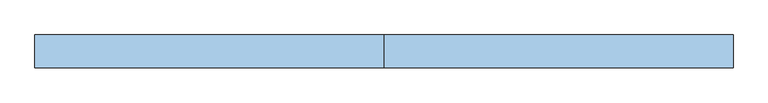
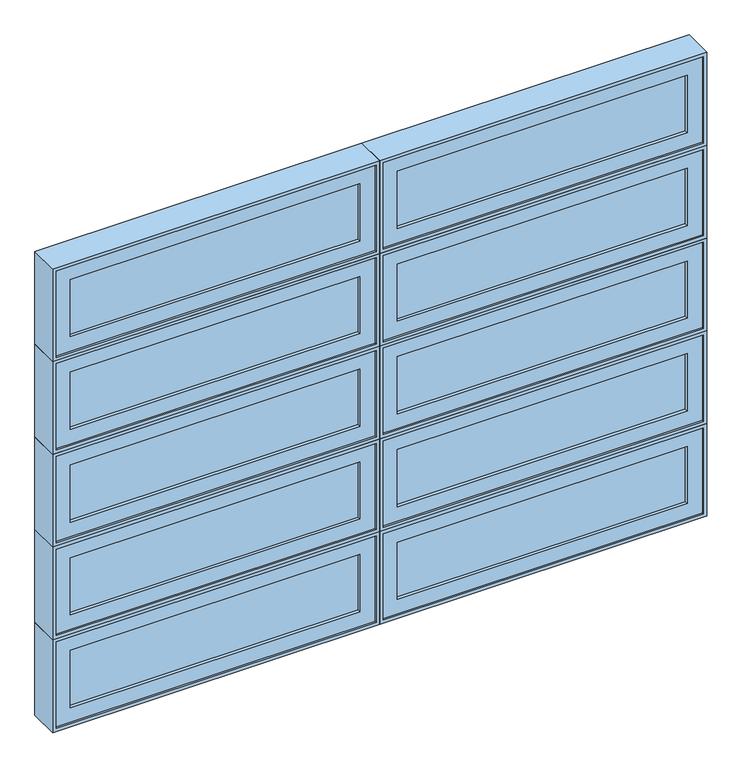
"""IFC4 building model written with IfcOpenShell, lengths in millimetres: window geometry."""

from ifc_helpers import new_model, si_unit, frame, origin, place, context, project, spatial, polyline, outline, extrude, faceted_brep, source, transform, mapped, element, save


def window_350f87b7(model_context):
    return source(origin(), model_context, "Body", "SolidModel", [
        faceted_brep([(-571.0781766, -42.8625, 2389.98125), (-571.0781766, -93.6625, 2389.98125), (622.7218234, -93.6625, 2389.98125), (622.7218234, -42.8625, 2389.98125), (-552.0281766, 20.6375, 2409.03125), (-552.0281766, -42.8625, 2409.03125), (603.6718234, -42.8625, 2409.03125), (603.6718234, 20.6375, 2409.03125), (-583.7781766, -93.6625, 2377.28125), (-583.7781766, 20.6375, 2377.28125), (635.4218234, 20.6375, 2377.28125), (635.4218234, -93.6625, 2377.28125), (622.7218234, -93.6625, 2730.3015625), (622.7218234, -42.8625, 2730.3015625), (603.6718234, -42.8625, 2711.2515625), (603.6718234, 20.6375, 2711.2515625), (635.4218234, 20.6375, 2743.0015625), (635.4218234, -93.6625, 2743.0015625), (-571.0781766, -93.6625, 2730.3015625), (-571.0781766, -42.8625, 2730.3015625), (-552.0281766, -42.8625, 2711.2515625), (-552.0281766, 20.6375, 2711.2515625), (-583.7781766, 20.6375, 2743.0015625), (-583.7781766, -93.6625, 2743.0015625)], [[[0, 1, 2, 3]], [[4, 5, 6, 7]], [[8, 9, 10, 11]], [[3, 2, 12, 13]], [[7, 6, 14, 15]], [[11, 10, 16, 17]], [[13, 12, 18, 19]], [[15, 14, 20, 21]], [[17, 16, 22, 23]], [[11, 17, 23, 8], [1, 18, 12, 2]], [[19, 18, 1, 0]], [[3, 13, 19, 0], [5, 20, 14, 6]], [[21, 20, 5, 4]], [[9, 22, 16, 10], [7, 15, 21, 4]], [[23, 22, 9, 8]]]),
        extrude(outline(polyline([(-513.9281766, -74.6125), (-513.9281766, -68.2625), (565.5718234, -68.2625), (565.5718234, -74.6125), (-513.9281766, -74.6125)])), frame((0.0, 0.0, 2447.13125), z_axis=(0.0, 0.0, 1.0), x_axis=(1.0, 0.0, 0.0)), (0.0, 0.0, 1.0), 226.0203125),
        extrude(outline(polyline([(-513.9281766, -61.9125), (-513.9281766, -55.5625), (565.5718234, -55.5625), (565.5718234, -61.9125), (-513.9281766, -61.9125)])), frame((0.0, 0.0, 2447.13125), z_axis=(0.0, 0.0, 1.0), x_axis=(1.0, 0.0, 0.0)), (0.0, 0.0, 1.0), 226.0203125),
        extrude(outline(polyline([(2730.3015625, 622.7218234), (2730.3015625, -571.0781766), (2389.98125, -571.0781766), (2389.98125, 622.7218234), (2730.3015625, 622.7218234)]), holes=[polyline([(2447.13125, 565.5718234), (2447.13125, -513.9281766), (2673.1515625, -513.9281766), (2673.1515625, 565.5718234), (2447.13125, 565.5718234)])]), frame((0.0, -87.3125, 0.0), z_axis=(0.0, 1.0, 0.0), x_axis=(0.0, 0.0, 1.0)), (0.0, 0.0, 1.0), 44.45),
        faceted_brep([(-1790.2781766, -42.8625, 2389.98125), (-1790.2781766, -93.6625, 2389.98125), (-596.4781766, -93.6625, 2389.98125), (-596.4781766, -42.8625, 2389.98125), (-1771.2281766, 20.6375, 2409.03125), (-1771.2281766, -42.8625, 2409.03125), (-615.5281766, -42.8625, 2409.03125), (-615.5281766, 20.6375, 2409.03125), (-1802.9781766, -93.6625, 2377.28125), (-1802.9781766, 20.6375, 2377.28125), (-583.7781766, 20.6375, 2377.28125), (-583.7781766, -93.6625, 2377.28125), (-596.4781766, -93.6625, 2730.3015625), (-596.4781766, -42.8625, 2730.3015625), (-615.5281766, -42.8625, 2711.2515625), (-615.5281766, 20.6375, 2711.2515625), (-583.7781766, 20.6375, 2743.0015625), (-583.7781766, -93.6625, 2743.0015625), (-1790.2781766, -93.6625, 2730.3015625), (-1790.2781766, -42.8625, 2730.3015625), (-1771.2281766, -42.8625, 2711.2515625), (-1771.2281766, 20.6375, 2711.2515625), (-1802.9781766, 20.6375, 2743.0015625), (-1802.9781766, -93.6625, 2743.0015625)], [[[0, 1, 2, 3]], [[4, 5, 6, 7]], [[8, 9, 10, 11]], [[3, 2, 12, 13]], [[7, 6, 14, 15]], [[11, 10, 16, 17]], [[13, 12, 18, 19]], [[15, 14, 20, 21]], [[17, 16, 22, 23]], [[11, 17, 23, 8], [1, 18, 12, 2]], [[19, 18, 1, 0]], [[3, 13, 19, 0], [5, 20, 14, 6]], [[21, 20, 5, 4]], [[9, 22, 16, 10], [7, 15, 21, 4]], [[23, 22, 9, 8]]]),
        extrude(outline(polyline([(-1733.1281766, -74.6125), (-1733.1281766, -68.2625), (-653.6281766, -68.2625), (-653.6281766, -74.6125), (-1733.1281766, -74.6125)])), frame((0.0, 0.0, 2447.13125), z_axis=(0.0, 0.0, 1.0), x_axis=(1.0, 0.0, 0.0)), (0.0, 0.0, 1.0), 226.0203125),
        extrude(outline(polyline([(-1733.1281766, -61.9125), (-1733.1281766, -55.5625), (-653.6281766, -55.5625), (-653.6281766, -61.9125), (-1733.1281766, -61.9125)])), frame((0.0, 0.0, 2447.13125), z_axis=(0.0, 0.0, 1.0), x_axis=(1.0, 0.0, 0.0)), (0.0, 0.0, 1.0), 226.0203125),
        extrude(outline(polyline([(2730.3015625, -596.4781766), (2730.3015625, -1790.2781766), (2389.98125, -1790.2781766), (2389.98125, -596.4781766), (2730.3015625, -596.4781766)]), holes=[polyline([(2447.13125, -653.6281766), (2447.13125, -1733.1281766), (2673.1515625, -1733.1281766), (2673.1515625, -653.6281766), (2447.13125, -653.6281766)])]), frame((0.0, -87.3125, 0.0), z_axis=(0.0, 1.0, 0.0), x_axis=(0.0, 0.0, 1.0)), (0.0, 0.0, 1.0), 44.45),
        faceted_brep([(-571.0781766, -42.8625, 2024.2609375), (-571.0781766, -93.6625, 2024.2609375), (622.7218234, -93.6625, 2024.2609375), (622.7218234, -42.8625, 2024.2609375), (-552.0281766, 20.6375, 2043.3109375), (-552.0281766, -42.8625, 2043.3109375), (603.6718234, -42.8625, 2043.3109375), (603.6718234, 20.6375, 2043.3109375), (-583.7781766, -93.6625, 2011.5609375), (-583.7781766, 20.6375, 2011.5609375), (635.4218234, 20.6375, 2011.5609375), (635.4218234, -93.6625, 2011.5609375), (622.7218234, -93.6625, 2364.58125), (622.7218234, -42.8625, 2364.58125), (603.6718234, -42.8625, 2345.53125), (603.6718234, 20.6375, 2345.53125), (635.4218234, 20.6375, 2377.28125), (635.4218234, -93.6625, 2377.28125), (-571.0781766, -93.6625, 2364.58125), (-571.0781766, -42.8625, 2364.58125), (-552.0281766, -42.8625, 2345.53125), (-552.0281766, 20.6375, 2345.53125), (-583.7781766, 20.6375, 2377.28125), (-583.7781766, -93.6625, 2377.28125)], [[[0, 1, 2, 3]], [[4, 5, 6, 7]], [[8, 9, 10, 11]], [[3, 2, 12, 13]], [[7, 6, 14, 15]], [[11, 10, 16, 17]], [[13, 12, 18, 19]], [[15, 14, 20, 21]], [[17, 16, 22, 23]], [[11, 17, 23, 8], [1, 18, 12, 2]], [[19, 18, 1, 0]], [[3, 13, 19, 0], [5, 20, 14, 6]], [[21, 20, 5, 4]], [[9, 22, 16, 10], [7, 15, 21, 4]], [[23, 22, 9, 8]]]),
        extrude(outline(polyline([(-513.9281766, -74.6125), (-513.9281766, -68.2625), (565.5718234, -68.2625), (565.5718234, -74.6125), (-513.9281766, -74.6125)])), frame((0.0, 0.0, 2081.4109375), z_axis=(0.0, 0.0, 1.0), x_axis=(1.0, 0.0, 0.0)), (0.0, 0.0, 1.0), 226.0203125),
        extrude(outline(polyline([(-513.9281766, -61.9125), (-513.9281766, -55.5625), (565.5718234, -55.5625), (565.5718234, -61.9125), (-513.9281766, -61.9125)])), frame((0.0, 0.0, 2081.4109375), z_axis=(0.0, 0.0, 1.0), x_axis=(1.0, 0.0, 0.0)), (0.0, 0.0, 1.0), 226.0203125),
        extrude(outline(polyline([(2364.58125, 622.7218234), (2364.58125, -571.0781766), (2024.2609375, -571.0781766), (2024.2609375, 622.7218234), (2364.58125, 622.7218234)]), holes=[polyline([(2081.4109375, 565.5718234), (2081.4109375, -513.9281766), (2307.43125, -513.9281766), (2307.43125, 565.5718234), (2081.4109375, 565.5718234)])]), frame((0.0, -87.3125, 0.0), z_axis=(0.0, 1.0, 0.0), x_axis=(0.0, 0.0, 1.0)), (0.0, 0.0, 1.0), 44.45),
        faceted_brep([(-1790.2781766, -42.8625, 2024.2609375), (-1790.2781766, -93.6625, 2024.2609375), (-596.4781766, -93.6625, 2024.2609375), (-596.4781766, -42.8625, 2024.2609375), (-1771.2281766, 20.6375, 2043.3109375), (-1771.2281766, -42.8625, 2043.3109375), (-615.5281766, -42.8625, 2043.3109375), (-615.5281766, 20.6375, 2043.3109375), (-1802.9781766, -93.6625, 2011.5609375), (-1802.9781766, 20.6375, 2011.5609375), (-583.7781766, 20.6375, 2011.5609375), (-583.7781766, -93.6625, 2011.5609375), (-596.4781766, -93.6625, 2364.58125), (-596.4781766, -42.8625, 2364.58125), (-615.5281766, -42.8625, 2345.53125), (-615.5281766, 20.6375, 2345.53125), (-583.7781766, 20.6375, 2377.28125), (-583.7781766, -93.6625, 2377.28125), (-1790.2781766, -93.6625, 2364.58125), (-1790.2781766, -42.8625, 2364.58125), (-1771.2281766, -42.8625, 2345.53125), (-1771.2281766, 20.6375, 2345.53125), (-1802.9781766, 20.6375, 2377.28125), (-1802.9781766, -93.6625, 2377.28125)], [[[0, 1, 2, 3]], [[4, 5, 6, 7]], [[8, 9, 10, 11]], [[3, 2, 12, 13]], [[7, 6, 14, 15]], [[11, 10, 16, 17]], [[13, 12, 18, 19]], [[15, 14, 20, 21]], [[17, 16, 22, 23]], [[11, 17, 23, 8], [1, 18, 12, 2]], [[19, 18, 1, 0]], [[3, 13, 19, 0], [5, 20, 14, 6]], [[21, 20, 5, 4]], [[9, 22, 16, 10], [7, 15, 21, 4]], [[23, 22, 9, 8]]]),
        extrude(outline(polyline([(-1733.1281766, -74.6125), (-1733.1281766, -68.2625), (-653.6281766, -68.2625), (-653.6281766, -74.6125), (-1733.1281766, -74.6125)])), frame((0.0, 0.0, 2081.4109375), z_axis=(0.0, 0.0, 1.0), x_axis=(1.0, 0.0, 0.0)), (0.0, 0.0, 1.0), 226.0203125),
        extrude(outline(polyline([(-1733.1281766, -61.9125), (-1733.1281766, -55.5625), (-653.6281766, -55.5625), (-653.6281766, -61.9125), (-1733.1281766, -61.9125)])), frame((0.0, 0.0, 2081.4109375), z_axis=(0.0, 0.0, 1.0), x_axis=(1.0, 0.0, 0.0)), (0.0, 0.0, 1.0), 226.0203125),
        extrude(outline(polyline([(2364.58125, -596.4781766), (2364.58125, -1790.2781766), (2024.2609375, -1790.2781766), (2024.2609375, -596.4781766), (2364.58125, -596.4781766)]), holes=[polyline([(2081.4109375, -653.6281766), (2081.4109375, -1733.1281766), (2307.43125, -1733.1281766), (2307.43125, -653.6281766), (2081.4109375, -653.6281766)])]), frame((0.0, -87.3125, 0.0), z_axis=(0.0, 1.0, 0.0), x_axis=(0.0, 0.0, 1.0)), (0.0, 0.0, 1.0), 44.45),
        faceted_brep([(-571.0781766, -42.8625, 1658.540625), (-571.0781766, -93.6625, 1658.540625), (622.7218234, -93.6625, 1658.540625), (622.7218234, -42.8625, 1658.540625), (-552.0281766, 20.6375, 1677.590625), (-552.0281766, -42.8625, 1677.590625), (603.6718234, -42.8625, 1677.590625), (603.6718234, 20.6375, 1677.590625), (-583.7781766, -93.6625, 1645.840625), (-583.7781766, 20.6375, 1645.840625), (635.4218234, 20.6375, 1645.840625), (635.4218234, -93.6625, 1645.840625), (622.7218234, -93.6625, 1998.8609375), (622.7218234, -42.8625, 1998.8609375), (603.6718234, -42.8625, 1979.8109375), (603.6718234, 20.6375, 1979.8109375), (635.4218234, 20.6375, 2011.5609375), (635.4218234, -93.6625, 2011.5609375), (-571.0781766, -93.6625, 1998.8609375), (-571.0781766, -42.8625, 1998.8609375), (-552.0281766, -42.8625, 1979.8109375), (-552.0281766, 20.6375, 1979.8109375), (-583.7781766, 20.6375, 2011.5609375), (-583.7781766, -93.6625, 2011.5609375)], [[[0, 1, 2, 3]], [[4, 5, 6, 7]], [[8, 9, 10, 11]], [[3, 2, 12, 13]], [[7, 6, 14, 15]], [[11, 10, 16, 17]], [[13, 12, 18, 19]], [[15, 14, 20, 21]], [[17, 16, 22, 23]], [[11, 17, 23, 8], [1, 18, 12, 2]], [[19, 18, 1, 0]], [[3, 13, 19, 0], [5, 20, 14, 6]], [[21, 20, 5, 4]], [[9, 22, 16, 10], [7, 15, 21, 4]], [[23, 22, 9, 8]]]),
        extrude(outline(polyline([(-513.9281766, -74.6125), (-513.9281766, -68.2625), (565.5718234, -68.2625), (565.5718234, -74.6125), (-513.9281766, -74.6125)])), frame((0.0, 0.0, 1715.690625), z_axis=(0.0, 0.0, 1.0), x_axis=(1.0, 0.0, 0.0)), (0.0, 0.0, 1.0), 226.0203125),
        extrude(outline(polyline([(-513.9281766, -61.9125), (-513.9281766, -55.5625), (565.5718234, -55.5625), (565.5718234, -61.9125), (-513.9281766, -61.9125)])), frame((0.0, 0.0, 1715.690625), z_axis=(0.0, 0.0, 1.0), x_axis=(1.0, 0.0, 0.0)), (0.0, 0.0, 1.0), 226.0203125),
        extrude(outline(polyline([(1998.8609375, 622.7218234), (1998.8609375, -571.0781766), (1658.540625, -571.0781766), (1658.540625, 622.7218234), (1998.8609375, 622.7218234)]), holes=[polyline([(1715.690625, 565.5718234), (1715.690625, -513.9281766), (1941.7109375, -513.9281766), (1941.7109375, 565.5718234), (1715.690625, 565.5718234)])]), frame((0.0, -87.3125, 0.0), z_axis=(0.0, 1.0, 0.0), x_axis=(0.0, 0.0, 1.0)), (0.0, 0.0, 1.0), 44.45),
        faceted_brep([(-1790.2781766, -42.8625, 1658.540625), (-1790.2781766, -93.6625, 1658.540625), (-596.4781766, -93.6625, 1658.540625), (-596.4781766, -42.8625, 1658.540625), (-1771.2281766, 20.6375, 1677.590625), (-1771.2281766, -42.8625, 1677.590625), (-615.5281766, -42.8625, 1677.590625), (-615.5281766, 20.6375, 1677.590625), (-1802.9781766, -93.6625, 1645.840625), (-1802.9781766, 20.6375, 1645.840625), (-583.7781766, 20.6375, 1645.840625), (-583.7781766, -93.6625, 1645.840625), (-596.4781766, -93.6625, 1998.8609375), (-596.4781766, -42.8625, 1998.8609375), (-615.5281766, -42.8625, 1979.8109375), (-615.5281766, 20.6375, 1979.8109375), (-583.7781766, 20.6375, 2011.5609375), (-583.7781766, -93.6625, 2011.5609375), (-1790.2781766, -93.6625, 1998.8609375), (-1790.2781766, -42.8625, 1998.8609375), (-1771.2281766, -42.8625, 1979.8109375), (-1771.2281766, 20.6375, 1979.8109375), (-1802.9781766, 20.6375, 2011.5609375), (-1802.9781766, -93.6625, 2011.5609375)], [[[0, 1, 2, 3]], [[4, 5, 6, 7]], [[8, 9, 10, 11]], [[3, 2, 12, 13]], [[7, 6, 14, 15]], [[11, 10, 16, 17]], [[13, 12, 18, 19]], [[15, 14, 20, 21]], [[17, 16, 22, 23]], [[11, 17, 23, 8], [1, 18, 12, 2]], [[19, 18, 1, 0]], [[3, 13, 19, 0], [5, 20, 14, 6]], [[21, 20, 5, 4]], [[9, 22, 16, 10], [7, 15, 21, 4]], [[23, 22, 9, 8]]]),
        extrude(outline(polyline([(-1733.1281766, -74.6125), (-1733.1281766, -68.2625), (-653.6281766, -68.2625), (-653.6281766, -74.6125), (-1733.1281766, -74.6125)])), frame((0.0, 0.0, 1715.690625), z_axis=(0.0, 0.0, 1.0), x_axis=(1.0, 0.0, 0.0)), (0.0, 0.0, 1.0), 226.0203125),
        extrude(outline(polyline([(-1733.1281766, -61.9125), (-1733.1281766, -55.5625), (-653.6281766, -55.5625), (-653.6281766, -61.9125), (-1733.1281766, -61.9125)])), frame((0.0, 0.0, 1715.690625), z_axis=(0.0, 0.0, 1.0), x_axis=(1.0, 0.0, 0.0)), (0.0, 0.0, 1.0), 226.0203125),
        extrude(outline(polyline([(1998.8609375, -596.4781766), (1998.8609375, -1790.2781766), (1658.540625, -1790.2781766), (1658.540625, -596.4781766), (1998.8609375, -596.4781766)]), holes=[polyline([(1715.690625, -653.6281766), (1715.690625, -1733.1281766), (1941.7109375, -1733.1281766), (1941.7109375, -653.6281766), (1715.690625, -653.6281766)])]), frame((0.0, -87.3125, 0.0), z_axis=(0.0, 1.0, 0.0), x_axis=(0.0, 0.0, 1.0)), (0.0, 0.0, 1.0), 44.45),
        faceted_brep([(-571.0781766, -42.8625, 1292.8203125), (-571.0781766, -93.6625, 1292.8203125), (622.7218234, -93.6625, 1292.8203125), (622.7218234, -42.8625, 1292.8203125), (-552.0281766, 20.6375, 1311.8703125), (-552.0281766, -42.8625, 1311.8703125), (603.6718234, -42.8625, 1311.8703125), (603.6718234, 20.6375, 1311.8703125), (-583.7781766, -93.6625, 1280.1203125), (-583.7781766, 20.6375, 1280.1203125), (635.4218234, 20.6375, 1280.1203125), (635.4218234, -93.6625, 1280.1203125), (622.7218234, -93.6625, 1633.140625), (622.7218234, -42.8625, 1633.140625), (603.6718234, -42.8625, 1614.090625), (603.6718234, 20.6375, 1614.090625), (635.4218234, 20.6375, 1645.840625), (635.4218234, -93.6625, 1645.840625), (-571.0781766, -93.6625, 1633.140625), (-571.0781766, -42.8625, 1633.140625), (-552.0281766, -42.8625, 1614.090625), (-552.0281766, 20.6375, 1614.090625), (-583.7781766, 20.6375, 1645.840625), (-583.7781766, -93.6625, 1645.840625)], [[[0, 1, 2, 3]], [[4, 5, 6, 7]], [[8, 9, 10, 11]], [[3, 2, 12, 13]], [[7, 6, 14, 15]], [[11, 10, 16, 17]], [[13, 12, 18, 19]], [[15, 14, 20, 21]], [[17, 16, 22, 23]], [[11, 17, 23, 8], [1, 18, 12, 2]], [[19, 18, 1, 0]], [[3, 13, 19, 0], [5, 20, 14, 6]], [[21, 20, 5, 4]], [[9, 22, 16, 10], [7, 15, 21, 4]], [[23, 22, 9, 8]]]),
        extrude(outline(polyline([(-513.9281766, -74.6125), (-513.9281766, -68.2625), (565.5718234, -68.2625), (565.5718234, -74.6125), (-513.9281766, -74.6125)])), frame((0.0, 0.0, 1349.9703125), z_axis=(0.0, 0.0, 1.0), x_axis=(1.0, 0.0, 0.0)), (0.0, 0.0, 1.0), 226.0203125),
        extrude(outline(polyline([(-513.9281766, -61.9125), (-513.9281766, -55.5625), (565.5718234, -55.5625), (565.5718234, -61.9125), (-513.9281766, -61.9125)])), frame((0.0, 0.0, 1349.9703125), z_axis=(0.0, 0.0, 1.0), x_axis=(1.0, 0.0, 0.0)), (0.0, 0.0, 1.0), 226.0203125),
        extrude(outline(polyline([(1633.140625, 622.7218234), (1633.140625, -571.0781766), (1292.8203125, -571.0781766), (1292.8203125, 622.7218234), (1633.140625, 622.7218234)]), holes=[polyline([(1349.9703125, 565.5718234), (1349.9703125, -513.9281766), (1575.990625, -513.9281766), (1575.990625, 565.5718234), (1349.9703125, 565.5718234)])]), frame((0.0, -87.3125, 0.0), z_axis=(0.0, 1.0, 0.0), x_axis=(0.0, 0.0, 1.0)), (0.0, 0.0, 1.0), 44.45),
        faceted_brep([(-1790.2781766, -42.8625, 1292.8203125), (-1790.2781766, -93.6625, 1292.8203125), (-596.4781766, -93.6625, 1292.8203125), (-596.4781766, -42.8625, 1292.8203125), (-1771.2281766, 20.6375, 1311.8703125), (-1771.2281766, -42.8625, 1311.8703125), (-615.5281766, -42.8625, 1311.8703125), (-615.5281766, 20.6375, 1311.8703125), (-1802.9781766, -93.6625, 1280.1203125), (-1802.9781766, 20.6375, 1280.1203125), (-583.7781766, 20.6375, 1280.1203125), (-583.7781766, -93.6625, 1280.1203125), (-596.4781766, -93.6625, 1633.140625), (-596.4781766, -42.8625, 1633.140625), (-615.5281766, -42.8625, 1614.090625), (-615.5281766, 20.6375, 1614.090625), (-583.7781766, 20.6375, 1645.840625), (-583.7781766, -93.6625, 1645.840625), (-1790.2781766, -93.6625, 1633.140625), (-1790.2781766, -42.8625, 1633.140625), (-1771.2281766, -42.8625, 1614.090625), (-1771.2281766, 20.6375, 1614.090625), (-1802.9781766, 20.6375, 1645.840625), (-1802.9781766, -93.6625, 1645.840625)], [[[0, 1, 2, 3]], [[4, 5, 6, 7]], [[8, 9, 10, 11]], [[3, 2, 12, 13]], [[7, 6, 14, 15]], [[11, 10, 16, 17]], [[13, 12, 18, 19]], [[15, 14, 20, 21]], [[17, 16, 22, 23]], [[11, 17, 23, 8], [1, 18, 12, 2]], [[19, 18, 1, 0]], [[3, 13, 19, 0], [5, 20, 14, 6]], [[21, 20, 5, 4]], [[9, 22, 16, 10], [7, 15, 21, 4]], [[23, 22, 9, 8]]]),
        extrude(outline(polyline([(-1733.1281766, -74.6125), (-1733.1281766, -68.2625), (-653.6281766, -68.2625), (-653.6281766, -74.6125), (-1733.1281766, -74.6125)])), frame((0.0, 0.0, 1349.9703125), z_axis=(0.0, 0.0, 1.0), x_axis=(1.0, 0.0, 0.0)), (0.0, 0.0, 1.0), 226.0203125),
        extrude(outline(polyline([(-1733.1281766, -61.9125), (-1733.1281766, -55.5625), (-653.6281766, -55.5625), (-653.6281766, -61.9125), (-1733.1281766, -61.9125)])), frame((0.0, 0.0, 1349.9703125), z_axis=(0.0, 0.0, 1.0), x_axis=(1.0, 0.0, 0.0)), (0.0, 0.0, 1.0), 226.0203125),
        extrude(outline(polyline([(1633.140625, -596.4781766), (1633.140625, -1790.2781766), (1292.8203125, -1790.2781766), (1292.8203125, -596.4781766), (1633.140625, -596.4781766)]), holes=[polyline([(1349.9703125, -653.6281766), (1349.9703125, -1733.1281766), (1575.990625, -1733.1281766), (1575.990625, -653.6281766), (1349.9703125, -653.6281766)])]), frame((0.0, -87.3125, 0.0), z_axis=(0.0, 1.0, 0.0), x_axis=(0.0, 0.0, 1.0)), (0.0, 0.0, 1.0), 44.45),
        faceted_brep([(-571.0781766, -42.8625, 927.1), (-571.0781766, -93.6625, 927.1), (622.7218234, -93.6625, 927.1), (622.7218234, -42.8625, 927.1), (-552.0281766, 20.6375, 946.15), (-552.0281766, -42.8625, 946.15), (603.6718234, -42.8625, 946.15), (603.6718234, 20.6375, 946.15), (-583.7781766, -93.6625, 914.4), (-583.7781766, 20.6375, 914.4), (635.4218234, 20.6375, 914.4), (635.4218234, -93.6625, 914.4), (622.7218234, -93.6625, 1267.4203125), (622.7218234, -42.8625, 1267.4203125), (603.6718234, -42.8625, 1248.3703125), (603.6718234, 20.6375, 1248.3703125), (635.4218234, 20.6375, 1280.1203125), (635.4218234, -93.6625, 1280.1203125), (-571.0781766, -93.6625, 1267.4203125), (-571.0781766, -42.8625, 1267.4203125), (-552.0281766, -42.8625, 1248.3703125), (-552.0281766, 20.6375, 1248.3703125), (-583.7781766, 20.6375, 1280.1203125), (-583.7781766, -93.6625, 1280.1203125)], [[[0, 1, 2, 3]], [[4, 5, 6, 7]], [[8, 9, 10, 11]], [[3, 2, 12, 13]], [[7, 6, 14, 15]], [[11, 10, 16, 17]], [[13, 12, 18, 19]], [[15, 14, 20, 21]], [[17, 16, 22, 23]], [[11, 17, 23, 8], [1, 18, 12, 2]], [[19, 18, 1, 0]], [[3, 13, 19, 0], [5, 20, 14, 6]], [[21, 20, 5, 4]], [[9, 22, 16, 10], [7, 15, 21, 4]], [[23, 22, 9, 8]]]),
        extrude(outline(polyline([(-513.9281766, -74.6125), (-513.9281766, -68.2625), (565.5718234, -68.2625), (565.5718234, -74.6125), (-513.9281766, -74.6125)])), frame((0.0, 0.0, 984.25), z_axis=(0.0, 0.0, 1.0), x_axis=(1.0, 0.0, 0.0)), (0.0, 0.0, 1.0), 226.0203125),
        extrude(outline(polyline([(-513.9281766, -61.9125), (-513.9281766, -55.5625), (565.5718234, -55.5625), (565.5718234, -61.9125), (-513.9281766, -61.9125)])), frame((0.0, 0.0, 984.25), z_axis=(0.0, 0.0, 1.0), x_axis=(1.0, 0.0, 0.0)), (0.0, 0.0, 1.0), 226.0203125),
        extrude(outline(polyline([(1267.4203125, 622.7218234), (1267.4203125, -571.0781766), (927.1, -571.0781766), (927.1, 622.7218234), (1267.4203125, 622.7218234)]), holes=[polyline([(984.25, 565.5718234), (984.25, -513.9281766), (1210.2703125, -513.9281766), (1210.2703125, 565.5718234), (984.25, 565.5718234)])]), frame((0.0, -87.3125, 0.0), z_axis=(0.0, 1.0, 0.0), x_axis=(0.0, 0.0, 1.0)), (0.0, 0.0, 1.0), 44.45),
        faceted_brep([(-1790.2781766, -42.8625, 927.1), (-1790.2781766, -93.6625, 927.1), (-596.4781766, -93.6625, 927.1), (-596.4781766, -42.8625, 927.1), (-1771.2281766, 20.6375, 946.15), (-1771.2281766, -42.8625, 946.15), (-615.5281766, -42.8625, 946.15), (-615.5281766, 20.6375, 946.15), (-1802.9781766, -93.6625, 914.4), (-1802.9781766, 20.6375, 914.4), (-583.7781766, 20.6375, 914.4), (-583.7781766, -93.6625, 914.4), (-596.4781766, -93.6625, 1267.4203125), (-596.4781766, -42.8625, 1267.4203125), (-615.5281766, -42.8625, 1248.3703125), (-615.5281766, 20.6375, 1248.3703125), (-583.7781766, 20.6375, 1280.1203125), (-583.7781766, -93.6625, 1280.1203125), (-1790.2781766, -93.6625, 1267.4203125), (-1790.2781766, -42.8625, 1267.4203125), (-1771.2281766, -42.8625, 1248.3703125), (-1771.2281766, 20.6375, 1248.3703125), (-1802.9781766, 20.6375, 1280.1203125), (-1802.9781766, -93.6625, 1280.1203125)], [[[0, 1, 2, 3]], [[4, 5, 6, 7]], [[8, 9, 10, 11]], [[3, 2, 12, 13]], [[7, 6, 14, 15]], [[11, 10, 16, 17]], [[13, 12, 18, 19]], [[15, 14, 20, 21]], [[17, 16, 22, 23]], [[11, 17, 23, 8], [1, 18, 12, 2]], [[19, 18, 1, 0]], [[3, 13, 19, 0], [5, 20, 14, 6]], [[21, 20, 5, 4]], [[9, 22, 16, 10], [7, 15, 21, 4]], [[23, 22, 9, 8]]]),
        extrude(outline(polyline([(-1733.1281766, -74.6125), (-1733.1281766, -68.2625), (-653.6281766, -68.2625), (-653.6281766, -74.6125), (-1733.1281766, -74.6125)])), frame((0.0, 0.0, 984.25), z_axis=(0.0, 0.0, 1.0), x_axis=(1.0, 0.0, 0.0)), (0.0, 0.0, 1.0), 226.0203125),
        extrude(outline(polyline([(-1733.1281766, -61.9125), (-1733.1281766, -55.5625), (-653.6281766, -55.5625), (-653.6281766, -61.9125), (-1733.1281766, -61.9125)])), frame((0.0, 0.0, 984.25), z_axis=(0.0, 0.0, 1.0), x_axis=(1.0, 0.0, 0.0)), (0.0, 0.0, 1.0), 226.0203125),
        extrude(outline(polyline([(1267.4203125, -596.4781766), (1267.4203125, -1790.2781766), (927.1, -1790.2781766), (927.1, -596.4781766), (1267.4203125, -596.4781766)]), holes=[polyline([(984.25, -653.6281766), (984.25, -1733.1281766), (1210.2703125, -1733.1281766), (1210.2703125, -653.6281766), (984.25, -653.6281766)])]), frame((0.0, -87.3125, 0.0), z_axis=(0.0, 1.0, 0.0), x_axis=(0.0, 0.0, 1.0)), (0.0, 0.0, 1.0), 44.45),
    ])


if __name__ == "__main__":
    model = new_model("IFC4")
    model_context = context("Model", 3, world=origin())
    ifc_project = project(units=[si_unit("LENGTHUNIT", "METRE", prefix="MILLI")], contexts=[model_context])
    site = spatial("IfcSite", under=ifc_project)
    building = spatial("IfcBuilding", under=site)
    placement = place(None, origin())
    window_shape = window_350f87b7(model_context)
    element("IfcWindow", 1, at=placement, inside=building, context=model_context, shape_type="MappedRepresentation", body=[
        mapped(window_shape, transform((0.0, 0.0, 0.0), x_axis=(1.0, 0.0, 0.0), y_axis=(0.0, 1.0, 0.0), z_axis=(0.0, 0.0, 1.0))),
    ])
    save(model, "model.ifc")
